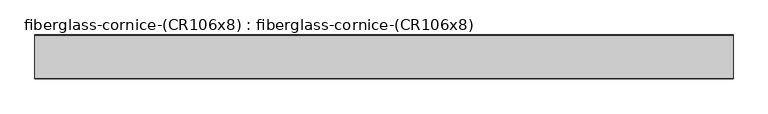
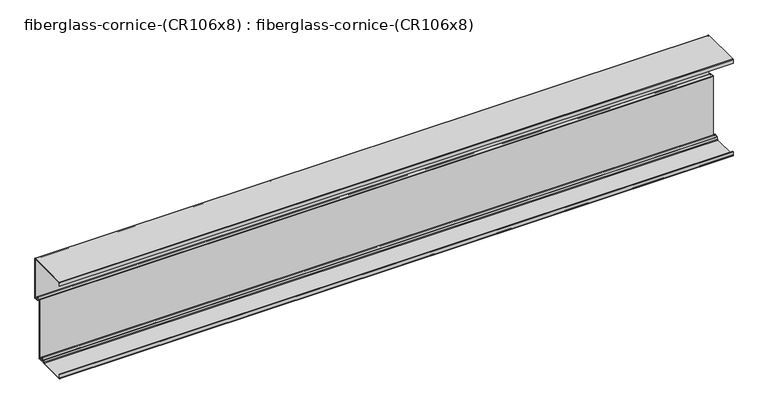
"""IFC4 building model written with IfcOpenShell, lengths in millimetres: furniture geometry, fiberglass-cornice-(CR106x8) : fiberglass-cornice-(CR106x8)."""

from ifc_helpers import new_model, si_unit, point, frame, frame_2d, origin, place, context, project, spatial, polyline, circle_curve, trimmed, segment, composite_curve, outline, extrude, source, transform, mapped, element, save


def fiberglass_cornice_cr106x8_fiberglass_cornice_cr106x8_4ec57bc5(model_context):
    return source(origin(), model_context, "Body", "SweptSolid", [
        extrude(outline(composite_curve([segment(polyline([(101.6, 304.7999907), (101.6, 327.0252086)]), True, "CONTINUOUS"), segment(trimmed(circle_curve(frame_2d((104.7747818, 327.0252086)), 3.1747818), [point((101.6, 327.0252086))], [point((104.7747818, 330.1999904))], False, "CARTESIAN"), True, "CONTINUOUS"), segment(polyline([(104.7747818, 330.1999904), (352.4247101, 330.1999904)]), True, "CONTINUOUS"), segment(trimmed(circle_curve(frame_2d((352.4247101, 327.0249905)), 3.175), [point((352.4247101, 330.1999904))], [point((355.5997101, 327.0249905))], False, "CARTESIAN"), True, "CONTINUOUS"), segment(polyline([(355.5997101, 327.0249905), (355.5997101, 79.3750025)]), True, "CONTINUOUS"), segment(trimmed(circle_curve(frame_2d((352.4246899, 79.3750025)), 3.1750202), [point((355.5997101, 79.3750025))], [point((352.4246899, 76.1999823))], False, "CARTESIAN"), True, "CONTINUOUS"), segment(polyline([(352.4246899, 76.1999823), (333.374807, 76.1999823)]), True, "CONTINUOUS"), segment(trimmed(circle_curve(frame_2d((333.374807, 79.375241)), 3.1752586), [point((333.374807, 76.1999823))], [point((330.1995483, 79.375241))], False, "CARTESIAN"), True, "CONTINUOUS"), segment(polyline([(330.1995483, 79.375241), (330.1995483, 92.074994)]), True, "CONTINUOUS"), segment(trimmed(circle_curve(frame_2d((327.0245579, 92.074994)), 3.1749904), [point((330.1995483, 92.074994))], [point((327.0245579, 95.2499844))], True, "CARTESIAN"), True, "CONTINUOUS"), segment(polyline([(327.0245579, 95.2499844), (314.3246857, 95.2499844)]), True, "CONTINUOUS"), segment(trimmed(circle_curve(frame_2d((314.3246857, 92.0752026)), 3.1747818), [point((314.3246857, 95.2499844))], [point((311.1499039, 92.0752026))], True, "CARTESIAN"), True, "CONTINUOUS"), segment(polyline([(311.1499039, 92.0752026), (311.1499039, -276.2249969)]), True, "CONTINUOUS"), segment(trimmed(circle_curve(frame_2d((307.9748837, -276.2249969)), 3.1750202), [point((311.1499039, -276.2249969))], [point((307.9748837, -279.4000171))], False, "CARTESIAN"), True, "CONTINUOUS"), segment(polyline([(307.9748837, -279.4000171), (288.9250008, -279.4000171)]), True, "CONTINUOUS"), segment(trimmed(circle_curve(frame_2d((288.9250008, -276.2247585)), 3.1752586), [point((288.9250008, -279.4000171))], [point((285.7497421, -276.2247585))], False, "CARTESIAN"), True, "CONTINUOUS"), segment(polyline([(285.7497421, -276.2247585), (285.7497421, -263.5250352)]), True, "CONTINUOUS"), segment(trimmed(circle_curve(frame_2d((282.5747219, -263.5250352)), 3.1750202), [point((285.7497421, -263.5250352))], [point((282.5747219, -260.350015))], True, "CARTESIAN"), True, "CONTINUOUS"), segment(polyline([(282.5747219, -260.350015), (269.8748795, -260.350015)]), True, "CONTINUOUS"), segment(trimmed(circle_curve(frame_2d((269.8748795, -263.5252737)), 3.1752586), [point((269.8748795, -260.350015))], [point((266.6996208, -263.5252737))], True, "CARTESIAN"), True, "CONTINUOUS"), segment(polyline([(266.6996208, -263.5252737), (266.6996208, -276.2249969)]), True, "CONTINUOUS"), segment(trimmed(circle_curve(frame_2d((263.5246006, -276.2249969)), 3.1750202), [point((266.6996208, -276.2249969))], [point((263.5246006, -279.4000171))], False, "CARTESIAN"), True, "CONTINUOUS"), segment(polyline([(263.5246006, -279.4000171), (104.7747818, -279.4000171)]), True, "CONTINUOUS"), segment(trimmed(circle_curve(frame_2d((104.7747818, -276.2252353)), 3.1747818), [point((104.7747818, -279.4000171))], [point((101.6, -276.2252353))], False, "CARTESIAN"), True, "CONTINUOUS"), segment(polyline([(101.6, -276.2252353), (101.6, -254.0000342), (105.0923553, -254.0000342), (105.0923553, -271.462407)]), True, "CONTINUOUS"), segment(trimmed(circle_curve(frame_2d((109.5374313, -271.462407)), 4.445076), [point((105.0923553, -271.462407))], [point((109.5374313, -275.907483))], True, "CARTESIAN"), True, "CONTINUOUS"), segment(polyline([(109.5374313, -275.907483), (258.7623087, -275.907483)]), True, "CONTINUOUS"), segment(trimmed(circle_curve(frame_2d((258.7623087, -271.4625262)), 4.4449568), [point((258.7623087, -275.907483))], [point((263.2072655, -271.4625262))], True, "CARTESIAN"), True, "CONTINUOUS"), segment(polyline([(263.2072655, -271.4625262), (263.2072655, -258.7624453)]), True, "CONTINUOUS"), segment(trimmed(circle_curve(frame_2d((265.1122299, -258.7624453)), 1.9049644), [point((263.2072655, -258.7624453))], [point((265.1122299, -256.8574809))], False, "CARTESIAN"), True, "CONTINUOUS"), segment(polyline([(265.1122299, -256.8574809), (287.3370734, -256.8574809)]), True, "CONTINUOUS"), segment(trimmed(circle_curve(frame_2d((287.3370734, -258.7625049)), 1.9050241), [point((287.3370734, -256.8574809))], [point((289.2420975, -258.7625049))], False, "CARTESIAN"), True, "CONTINUOUS"), segment(polyline([(289.2420975, -258.7625049), (289.2420975, -271.462407)]), True, "CONTINUOUS"), segment(trimmed(circle_curve(frame_2d((293.6871735, -271.462407)), 4.445076), [point((289.2420975, -271.462407))], [point((293.6871735, -275.907483))], True, "CARTESIAN"), True, "CONTINUOUS"), segment(polyline([(293.6871735, -275.907483), (303.2124725, -275.907483)]), True, "CONTINUOUS"), segment(trimmed(circle_curve(frame_2d((303.2124725, -271.4628838)), 4.4445992), [point((303.2124725, -275.907483))], [point((307.6570717, -271.4628838))], True, "CARTESIAN"), True, "CONTINUOUS"), segment(polyline([(307.6570717, -271.4628838), (307.6570717, 96.8375243)]), True, "CONTINUOUS"), segment(trimmed(circle_curve(frame_2d((309.5620361, 96.8375243)), 1.9049644), [point((307.6570717, 96.8375243))], [point((309.5620361, 98.7424888))], False, "CARTESIAN"), True, "CONTINUOUS"), segment(polyline([(309.5620361, 98.7424888), (331.7873863, 98.7424888)]), True, "CONTINUOUS"), segment(trimmed(circle_curve(frame_2d((331.7873863, 96.8374945)), 1.9049942), [point((331.7873863, 98.7424888))], [point((333.6923805, 96.8374945))], False, "CARTESIAN"), True, "CONTINUOUS"), segment(polyline([(333.6923805, 96.8374945), (333.6923805, 84.1375627)]), True, "CONTINUOUS"), segment(trimmed(circle_curve(frame_2d((338.1374565, 84.1375627)), 4.445076), [point((333.6923805, 84.1375627))], [point((338.1374565, 79.6924867))], True, "CARTESIAN"), True, "CONTINUOUS"), segment(polyline([(338.1374565, 79.6924867), (347.6622787, 79.6924867)]), True, "CONTINUOUS"), segment(trimmed(circle_curve(frame_2d((347.6622787, 84.1375627)), 4.445076), [point((347.6622787, 79.6924867))], [point((352.1073547, 84.1375627))], True, "CARTESIAN"), True, "CONTINUOUS"), segment(polyline([(352.1073547, 84.1375627), (352.1073547, 322.2624902)]), True, "CONTINUOUS"), segment(trimmed(circle_curve(frame_2d((347.6623544, 322.2624902)), 4.4450003), [point((352.1073547, 322.2624902))], [point((347.6623544, 326.7074905))], True, "CARTESIAN"), True, "CONTINUOUS"), segment(polyline([(347.6623544, 326.7074905), (109.5374313, 326.7074905)]), True, "CONTINUOUS"), segment(trimmed(circle_curve(frame_2d((109.5374313, 322.2624145)), 4.445076), [point((109.5374313, 326.7074905))], [point((105.0923553, 322.2624145))], True, "CARTESIAN"), True, "CONTINUOUS"), segment(polyline([(105.0923553, 322.2624145), (105.0923553, 304.7999907), (101.6, 304.7999907)]), True, "CONTINUOUS")], self_intersect=False)), frame((-2012.9498044, 0.0, 0.0), z_axis=(1.0, 0.0, 0.0), x_axis=(0.0, 1.0, 0.0)), (0.0, 0.0, 1.0), 4025.8996087),
    ])


if __name__ == "__main__":
    model = new_model("IFC4")
    model_context = context("Model", 3, world=origin())
    ifc_project = project(units=[si_unit("LENGTHUNIT", "METRE", prefix="MILLI")], contexts=[model_context])
    site = spatial("IfcSite", under=ifc_project)
    building = spatial("IfcBuilding", under=site)
    placement = place(None, origin())
    fiberglass_cornice_cr106x8_fiberglass_cornice_cr106x8_shape = fiberglass_cornice_cr106x8_fiberglass_cornice_cr106x8_4ec57bc5(model_context)
    element("IfcFurniture", 1, ObjectType="fiberglass-cornice-(CR106x8) : fiberglass-cornice-(CR106x8)", at=placement, inside=building, context=model_context, shape_type="MappedRepresentation", body=[
        mapped(fiberglass_cornice_cr106x8_fiberglass_cornice_cr106x8_shape, transform((0.0, 0.0, 0.0), x_axis=(1.0, 0.0, 0.0), y_axis=(0.0, 1.0, 0.0), z_axis=(0.0, 0.0, 1.0))),
    ])
    save(model, "model.ifc")
